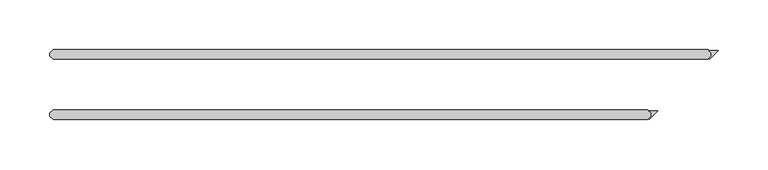
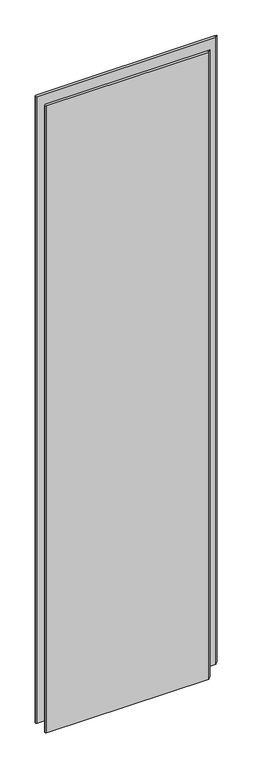
"""IFC4 building model written with IfcOpenShell, lengths in millimetres: plate geometry."""

import ifcopenshell
import ifcopenshell.guid

model = None  # the IFC model being written
_history = None  # IfcOwnerHistory: only IFC2X3 demands one
_inside = {}  # id of a spatial element -> (the spatial element, [elements in it])
_under = {}  # id of a project, library or spatial element -> (it, [spatial elements below it])
_declared = {}  # id of a project -> (the project, [libraries it declares])
_typed = {}  # id of a type object -> (the type object, [elements of that type])
_made_of = {}  # id of a material, layer set ... -> (it, [elements and type objects made of it])


def new_model(schema):
    """Start an empty IFC model of exactly this schema.

    Asked for "IFC4X3", IfcOpenShell would pick the latest addendum, in which some entities
    have other attributes; the version numbers below select the first issue.
    IFC2X3 requires an IfcOwnerHistory on every rooted entity: one is made here for all.
    """
    global model, _history
    if schema == "IFC4X3":
        model = ifcopenshell.file(schema_version=(4, 3, 0, 0))
    else:
        model = ifcopenshell.file(schema=schema)
    _inside.clear()
    _under.clear()
    _declared.clear()
    _typed.clear()
    _made_of.clear()
    _history = None
    if model.schema == "IFC2X3":
        org = make("IfcOrganization", Name="unknown")
        user = make(
            "IfcPersonAndOrganization",
            ThePerson=make("IfcPerson", FamilyName="unknown"),
            TheOrganization=org,
        )
        app = make(
            "IfcApplication",
            ApplicationDeveloper=org,
            Version="unknown",
            ApplicationFullName="unknown",
            ApplicationIdentifier="unknown",
        )
        _history = make(
            "IfcOwnerHistory",
            OwningUser=user,
            OwningApplication=app,
            ChangeAction="ADDED",
            CreationDate=0,
        )
    return model


def make(cls, **values):
    """One entity of the class cls with the attributes given. An attribute that is None is left unset."""
    return model.create_entity(
        cls, **{name: value for name, value in values.items() if value is not None}
    )


def rooted(cls, **values):
    """An entity with a GlobalId (a new one), such as an element, a storey or a relation."""
    return make(cls, GlobalId=ifcopenshell.guid.new(), OwnerHistory=_history, **values)


def si_unit(unit_type, name, prefix=None):
    """IfcSIUnit, for example si_unit("LENGTHUNIT", "METRE", prefix="MILLI")."""
    return make("IfcSIUnit", UnitType=unit_type, Prefix=prefix, Name=name)


def assignment(units):
    """IfcUnitAssignment: the units of a project."""
    return None if units is None else make("IfcUnitAssignment", Units=units)


def point(xyz):
    """IfcCartesianPoint."""
    return None if xyz is None else make("IfcCartesianPoint", Coordinates=xyz)


def direction(xyz):
    """IfcDirection."""
    return None if xyz is None else make("IfcDirection", DirectionRatios=xyz)


def frame(location, z_axis=None, x_axis=None):
    """IfcAxis2Placement3D, a coordinate frame: its origin and axes. An axis left out is left unset."""
    return make(
        "IfcAxis2Placement3D",
        Location=point(location),
        Axis=direction(z_axis),
        RefDirection=direction(x_axis),
    )


def origin():
    """The frame at (0, 0, 0) with its axes left unset."""
    return frame((0.0, 0.0, 0.0))


def origin_with_axes():
    """The frame at (0, 0, 0) with the z axis (0, 0, 1) and the x axis (1, 0, 0) written out."""
    return frame((0.0, 0.0, 0.0), z_axis=(0.0, 0.0, 1.0), x_axis=(1.0, 0.0, 0.0))


def place(relative_to, where):
    """IfcLocalPlacement: puts the frame where relative to a parent placement (None: the world)."""
    return make(
        "IfcLocalPlacement", PlacementRelTo=relative_to, RelativePlacement=where
    )


def context(
    kind, dimensions, precision=None, world=None, true_north=None, identifier=None
):
    """IfcGeometricRepresentationContext, for example the 3D "Model" context."""
    return make(
        "IfcGeometricRepresentationContext",
        ContextIdentifier=identifier,
        ContextType=kind,
        CoordinateSpaceDimension=dimensions,
        Precision=precision,
        WorldCoordinateSystem=world,
        TrueNorth=true_north,
    )


def project(units=None, contexts=None):
    """IfcProject with its units and contexts."""
    return rooted(
        "IfcProject",
        Name="project",
        RepresentationContexts=contexts,
        UnitsInContext=assignment(units),
    )


def spatial(cls, under=None, at=None, **own):
    """A site, building, storey or space (cls), placed at a placement, below another one or the project."""
    s = rooted(cls, ObjectPlacement=at, **own)
    if under is not None:
        _under.setdefault(under.id(), (under, []))[1].append(s)
    return s


def polyline(points):
    """IfcPolyline through the points."""
    return make("IfcPolyline", Points=[point(p) for p in points])


def outline(outer, holes=None, kind="AREA"):
    """IfcArbitraryClosedProfileDef: a profile drawn as a closed curve; with holes, ...WithVoids."""
    if holes is None:
        return make("IfcArbitraryClosedProfileDef", ProfileType=kind, OuterCurve=outer)
    return make(
        "IfcArbitraryProfileDefWithVoids",
        ProfileType=kind,
        OuterCurve=outer,
        InnerCurves=holes,
    )


def extrude(swept, where, along, depth):
    """IfcExtrudedAreaSolid: the profile swept, set in the frame where, extruded along a direction by depth."""
    return make(
        "IfcExtrudedAreaSolid",
        SweptArea=swept,
        Position=where,
        ExtrudedDirection=direction(along),
        Depth=depth,
    )


def shape(context_of_items, identifier, shape_type, items):
    """IfcShapeRepresentation: the items that make up one representation, for example the "Body"."""
    return make(
        "IfcShapeRepresentation",
        ContextOfItems=context_of_items,
        RepresentationIdentifier=identifier,
        RepresentationType=shape_type,
        Items=items,
    )


def source(mapping_origin, context_of_items, identifier, shape_type, items):
    """IfcRepresentationMap: a shape defined once, which mapped items show again and again."""
    return make(
        "IfcRepresentationMap",
        MappingOrigin=mapping_origin,
        MappedRepresentation=shape(context_of_items, identifier, shape_type, items),
    )


def transform(
    local_origin,
    x_axis=None,
    y_axis=None,
    z_axis=None,
    scale=None,
    scale2=None,
    scale3=None,
    uniform=True,
):
    """IfcCartesianTransformationOperator3D, or its non-uniform kind. x_axis, y_axis, z_axis: its Axis1, 2, 3."""
    if uniform:
        return make(
            "IfcCartesianTransformationOperator3D",
            Axis1=direction(x_axis),
            Axis2=direction(y_axis),
            LocalOrigin=point(local_origin),
            Scale=scale,
            Axis3=direction(z_axis),
        )
    return make(
        "IfcCartesianTransformationOperator3DnonUniform",
        Axis1=direction(x_axis),
        Axis2=direction(y_axis),
        LocalOrigin=point(local_origin),
        Scale=scale,
        Axis3=direction(z_axis),
        Scale2=scale2,
        Scale3=scale3,
    )


def mapped(mapping_source, mapping_target):
    """IfcMappedItem: shows the shape of a source again, moved by a transform."""
    return make(
        "IfcMappedItem", MappingSource=mapping_source, MappingTarget=mapping_target
    )


def made_of(thing, what):
    """Note that an element or type object is made of a material, layer set ...; save() writes the relation."""
    if what is not None:
        _made_of.setdefault(what.id(), (what, []))[1].append(thing)
    return thing


def element(
    cls,
    number,
    at=None,
    inside=None,
    cuts=None,
    type_object=None,
    material=None,
    context=None,
    identifier="Body",
    shape_type=None,
    held_by="IfcProductDefinitionShape",
    body=None,
    shapes=None,
    **own,
):
    """One element of the class cls, such as IfcWall. Its Tag is "e" and its number.

    at: its placement. inside: the storey or other place that contains it. cuts: it is an
    opening in that element (IfcRelVoidsElement). A single representation is given by context,
    identifier, shape_type and body (its items); several are given by shapes. held_by: the class
    of the entity that holds the representations. save() writes the other relations.
    """
    e = rooted(cls, Tag="e%d" % number, ObjectPlacement=at, **own)
    if body is not None:
        shapes = [shape(context, identifier, shape_type, body)]
    if shapes is not None:
        e.Representation = make(held_by, Representations=shapes)
    if inside is not None:
        _inside.setdefault(inside.id(), (inside, []))[1].append(e)
    if cuts is not None:
        rooted(
            "IfcRelVoidsElement", RelatingBuildingElement=cuts, RelatedOpeningElement=e
        )
    if type_object is not None:
        _typed.setdefault(type_object.id(), (type_object, []))[1].append(e)
    return made_of(e, material)


def aggregate(whole, parts):
    """IfcRelAggregates: a whole, such as a stair, and the parts it consists of."""
    return rooted("IfcRelAggregates", RelatingObject=whole, RelatedObjects=parts)


def save(model, path):
    """Write the relations noted so far, then the file.

    IfcRelAggregates (storeys below a building ...), IfcRelContainedInSpatialStructure (elements
    in a storey), IfcRelDefinesByType, IfcRelAssociatesMaterial and IfcRelDeclares: one each for
    every whole, place, type object, material and project.
    """
    for whole, parts in _under.values():
        aggregate(whole, parts)
    for where, things in _inside.values():
        rooted(
            "IfcRelContainedInSpatialStructure",
            RelatedElements=things,
            RelatingStructure=where,
        )
    for kind, things in _typed.values():
        rooted("IfcRelDefinesByType", RelatedObjects=things, RelatingType=kind)
    for what, things in _made_of.values():
        rooted("IfcRelAssociatesMaterial", RelatedObjects=things, RelatingMaterial=what)
    for by, libraries in _declared.values():
        rooted("IfcRelDeclares", RelatingContext=by, RelatedDefinitions=libraries)
    model.write(path)


def plate_6d84449c(model_context):
    return source(origin(), model_context, "Body", "SweptSolid", [
        extrude(outline(polyline([(344.555593, 31.75), (342.174343, 34.13125), (351.234375, 34.13125), (342.735609, 25.632484), (342.174343, 26.19375), (344.555593, 28.575), (344.555593, 31.75)])), origin_with_axes(), (0.0, 0.0, 1.0), 2428.7789267),
        extrude(outline(polyline([(284.230593, -28.575), (281.849343, -26.19375), (290.909375, -26.19375), (282.410609, -34.692516), (281.849343, -34.13125), (284.230593, -31.75), (284.230593, -28.575)])), origin_with_axes(), (0.0, 0.0, 1.0), 2428.7789267),
        extrude(outline(polyline([(281.055593, -25.4), (284.230593, -28.575), (284.230593, -31.75), (281.055593, -34.925), (-313.928125, -34.925), (-317.103125, -31.75), (-317.103125, -28.575), (-313.928125, -25.4), (281.055593, -25.4)])), origin_with_axes(), (0.0, 0.0, 1.0), 2428.7789267),
        extrude(outline(polyline([(341.380593, 34.925), (344.555593, 31.75), (344.555593, 28.575), (341.380593, 25.4), (-313.928125, 25.4), (-317.103125, 28.575), (-317.103125, 31.75), (-313.928125, 34.925), (341.380593, 34.925)])), origin_with_axes(), (0.0, 0.0, 1.0), 2428.7789267),
    ])


if __name__ == "__main__":
    model = new_model("IFC4")
    model_context = context("Model", 3, world=origin())
    ifc_project = project(units=[si_unit("LENGTHUNIT", "METRE", prefix="MILLI")], contexts=[model_context])
    site = spatial("IfcSite", under=ifc_project)
    building = spatial("IfcBuilding", under=site)
    placement = place(None, origin())
    plate_shape = plate_6d84449c(model_context)
    element("IfcPlate", 1, at=placement, inside=building, context=model_context, shape_type="MappedRepresentation", body=[
        mapped(plate_shape, transform((0.0, 0.0, 0.0), x_axis=(1.0, 0.0, 0.0), y_axis=(0.0, 1.0, 0.0), z_axis=(0.0, 0.0, 1.0))),
    ])
    save(model, "model.ifc")
